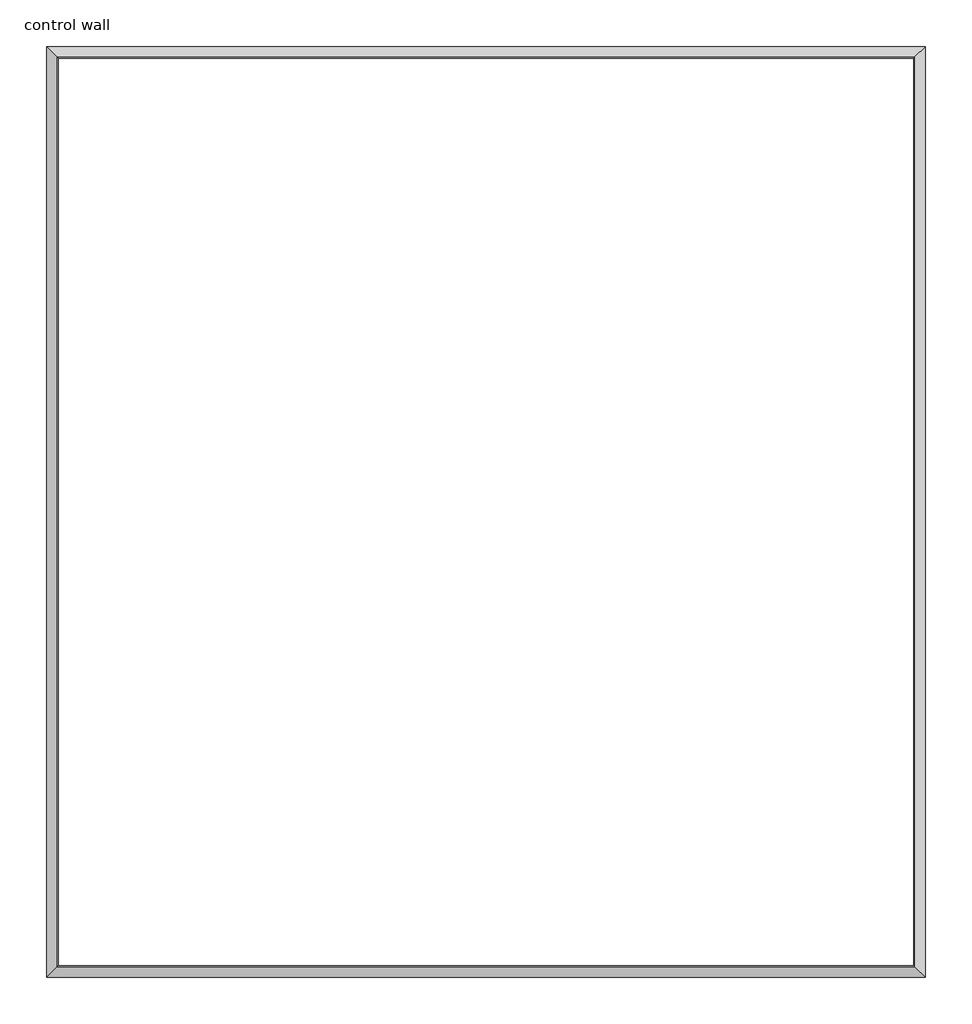
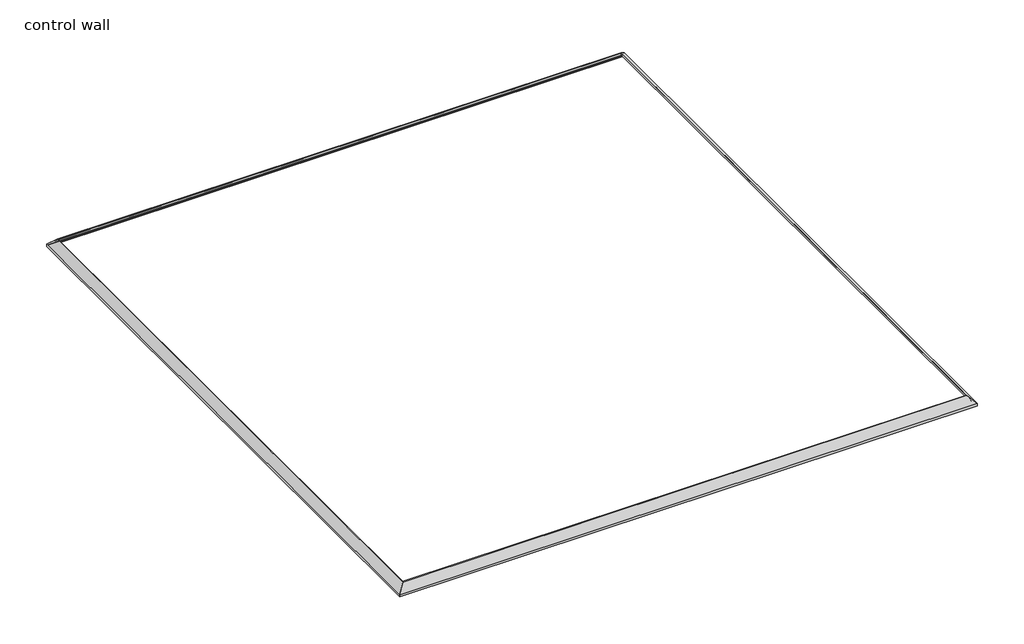
# One storey: 4 proxies.
"""IFC4 building model written with IfcOpenShell, lengths in millimetres."""

from ifc_helpers import new_model, si_unit, frame, origin, place, context, project, spatial, polyline, ellipse_curve, element, save
from ifc_brep_helpers import plane_surface, cylinder_surface, revolved_surface, advanced_brep

model = new_model("IFC4")

# Units and contexts
model_context = context("Model", 3, world=origin())
ifc_project = project(units=[si_unit("LENGTHUNIT", "METRE", prefix="MILLI")], contexts=[model_context])

# Site, building, storey
site = spatial("IfcSite", under=ifc_project)
building = spatial("IfcBuilding", under=site)
storey = spatial("IfcBuildingStorey", under=building, Name="control wall", Elevation=2133.6)

# Proxies
placement = place(None, origin())
element("IfcBuildingElementProxy", 1, Name="Wall Sweeps", at=placement, inside=storey, context=model_context, shape_type="AdvancedBrep", body=[
    advanced_brep(
    [(23590.7453, -17854.6125, 2982.9793892), (23525.7246892, -17789.5918892, 3048.0), (23517.6219912, -17781.4891912, 3048.0), (23517.6219912, -17781.4891912, 3028.95), (23527.2453, -17791.1125, 3028.95), (23547.7699798, -17811.6371798, 3008.4253202), (23568.2946597, -17832.1618597, 2987.9006403), (23568.2946597, -17832.1618597, 2981.5506403), (23581.7650439, -17845.6322439, 2968.0802561), (23581.7650439, -17845.6322439, 2959.1), (23590.7453, -17854.6125, 2959.1), (23590.7453, -11936.4125, 2982.9793892), (23590.7453, -11936.4125, 2959.1), (23581.7650439, -11945.3927561, 2959.1), (23581.7650439, -11945.3927561, 2968.0802561), (23568.2946597, -11958.8631403, 2981.5506403), (23568.2946597, -11958.8631403, 2987.9006403), (23547.7699798, -11979.3878202, 3008.4253202), (23527.2453, -11999.9125, 3028.95), (23517.6219912, -12009.5358088, 3028.95), (23517.6219912, -12009.5358088, 3048.0), (23525.7246892, -12001.4331108, 3048.0)],
    [
        (0, 1),
        (1, 2),
        (2, 3),
        (3, 4),
        (4, 5, ellipse_curve(frame((23527.2453, -17791.1125, 3008.4253202), z_axis=(0.7071067811865511, 0.707106781186544, 0.0), x_axis=(-0.7071067811865441, 0.707106781186551, 0.0)), 29.0262806, 20.5246798)),
        (5, 6, ellipse_curve(frame((23568.2946597, -17832.1618597, 3008.4253202), z_axis=(-0.7071067811865511, -0.707106781186544, 0.0), x_axis=(0.7071067811865441, -0.707106781186551, 0.0)), 29.0262806, 20.5246798)),
        (6, 7),
        (7, 8, ellipse_curve(frame((23568.2946597, -17832.1618597, 2968.0802561), z_axis=(0.7071067811865511, 0.707106781186544, 0.0), x_axis=(-0.7071067811865441, 0.707106781186551, 0.0)), 19.05, 13.4703842)),
        (8, 9),
        (9, 10),
        (10, 0),
        (11, 12),
        (12, 13),
        (13, 14),
        (14, 15, ellipse_curve(frame((23568.2946597, -11958.8631403, 2968.0802561), z_axis=(0.707106781186544, -0.7071067811865511, 0.0), x_axis=(0.7071067811865512, 0.7071067811865437, 0.0)), 19.05, 13.4703842)),
        (15, 16),
        (16, 17, ellipse_curve(frame((23568.2946597, -11958.8631403, 3008.4253202), z_axis=(-0.707106781186544, 0.7071067811865511, 0.0), x_axis=(-0.7071067811865512, -0.7071067811865437, 0.0)), 29.0262806, 20.5246798)),
        (17, 18, ellipse_curve(frame((23527.2453, -11999.9125, 3008.4253202), z_axis=(0.707106781186544, -0.7071067811865511, 0.0), x_axis=(0.7071067811865512, 0.7071067811865437, 0.0)), 29.0262806, 20.5246798)),
        (18, 19),
        (19, 20),
        (20, 21),
        (21, 11),
        (0, 11),
        (21, 1),
        (20, 2),
        (19, 3),
        (18, 4),
        (17, 5),
        (16, 6),
        (15, 7),
        (14, 8),
        (13, 9),
        (12, 10),
    ],
    [
        plane_surface(frame((23590.7453, -17854.6125, 2654.3), z_axis=(-0.7071067811865511, -0.707106781186544, 0.0), x_axis=(-0.707106781186544, 0.7071067811865511, 0.0))),
        plane_surface(frame((23590.7453, -11936.4125, 2654.3), z_axis=(-0.707106781186544, 0.7071067811865511, 0.0), x_axis=(-0.7071067811865511, -0.707106781186544, 0.0))),
        plane_surface(frame((23590.7453, -17854.6125, 2982.9793892), z_axis=(0.707106781186547, 0.0, 0.707106781186548), x_axis=(0.0, 1.0, 0.0))),
        plane_surface(frame((23525.7246892, -17789.5918892, 3048.0), z_axis=(0.0, 0.0, 1.0), x_axis=(0.0, 1.0, 0.0))),
        plane_surface(frame((23517.6219912, -17781.4891912, 3048.0), z_axis=(-1.0, 0.0, 0.0), x_axis=(0.0, 1.0, 0.0))),
        plane_surface(frame((23517.6219912, -17781.4891912, 3028.95), z_axis=(0.0, 0.0, -1.0), x_axis=(0.0, 1.0, 0.0))),
        revolved_surface(polyline([(23506.720620199998, -11979.387820155116, 3008.4253202), (23506.720620199998, -17811.63717984488, 3008.4253202)]), (23527.2453, -17854.6125, 3008.4253202), (0.0, 1.0, 0.0)),
        cylinder_surface(frame((23568.2946597, -17854.6125, 3008.4253202), z_axis=(0.0, -1.0, 0.0), x_axis=(-1.0, 0.0, 0.0)), 20.5246798),
        plane_surface(frame((23568.2946597, -17832.1618597, 2987.9006403), z_axis=(-1.0, 0.0, 0.0), x_axis=(0.0, 1.0, 0.0))),
        revolved_surface(polyline([(23554.8242755, -11945.3927561, 2968.0802561), (23554.8242755, -17845.6322439, 2968.0802561)]), (23568.2946597, -17854.6125, 2968.0802561), (0.0, 1.0, 0.0)),
        plane_surface(frame((23581.7650439, -17845.6322439, 2968.0802561), z_axis=(-1.0, 0.0, 0.0), x_axis=(0.0, 1.0, 0.0))),
        plane_surface(frame((23581.7650439, -17845.6322439, 2959.1), z_axis=(0.0, 0.0, -1.0), x_axis=(0.0, 1.0, 0.0))),
        plane_surface(frame((23590.7453, -17854.6125, 2959.1), z_axis=(1.0, 0.0, 0.0), x_axis=(0.0, 1.0, 0.0))),
    ],
    [
        (0, [[1, 2, 3, 4, 5, 6, 7, 8, 9, 10, 11]]),
        (1, [[12, 13, 14, 15, 16, 17, 18, 19, 20, 21, 22]]),
        (2, [[-1, 23, -22, 24]]),
        (3, [[-2, -24, -21, 25]]),
        (4, [[-3, -25, -20, 26]]),
        (5, [[-4, -26, -19, 27]]),
        (6, [[-5, -27, -18, 28]]),
        (7, [[-6, -28, -17, 29]]),
        (8, [[-7, -29, -16, 30]]),
        (9, [[-8, -30, -15, 31]]),
        (10, [[-9, -31, -14, 32]]),
        (11, [[-10, -32, -13, 33]]),
        (12, [[-11, -33, -12, -23]]),
    ],
),
])
element("IfcBuildingElementProxy", 2, Name="Wall Sweeps", at=placement, inside=storey, context=model_context, shape_type="AdvancedBrep", body=[
    advanced_brep(
    [(23590.7453, -11936.4125, 2982.9793892), (23525.7246892, -12001.4331108, 3048.0), (23517.6219912, -12009.5358088, 3048.0), (23517.6219912, -12009.5358088, 3028.95), (23527.2453, -11999.9125, 3028.95), (23547.7699798, -11979.3878202, 3008.4253202), (23568.2946597, -11958.8631403, 2987.9006403), (23568.2946597, -11958.8631403, 2981.5506403), (23581.7650439, -11945.3927561, 2968.0802561), (23581.7650439, -11945.3927561, 2959.1), (23590.7453, -11936.4125, 2959.1), (18002.7453, -11936.4125, 2982.9793892), (18002.7453, -11936.4125, 2959.1), (18011.7255561, -11945.3927561, 2959.1), (18011.7255561, -11945.3927561, 2968.0802561), (18025.1959403, -11958.8631403, 2981.5506403), (18025.1959403, -11958.8631403, 2987.9006403), (18045.7206202, -11979.3878202, 3008.4253202), (18066.2453, -11999.9125, 3028.95), (18075.8686088, -12009.5358088, 3028.95), (18075.8686088, -12009.5358088, 3048.0), (18067.7659108, -12001.4331108, 3048.0)],
    [
        (0, 1),
        (1, 2),
        (2, 3),
        (3, 4),
        (4, 5, ellipse_curve(frame((23527.2453, -11999.9125, 3008.4253202), z_axis=(-0.707106781186544, 0.7071067811865511, 0.0), x_axis=(-0.7071067811865508, -0.7071067811865441, 0.0)), 29.0262806, 20.5246798)),
        (5, 6, ellipse_curve(frame((23568.2946597, -11958.8631403, 3008.4253202), z_axis=(0.707106781186544, -0.7071067811865511, 0.0), x_axis=(0.7071067811865508, 0.7071067811865441, 0.0)), 29.0262806, 20.5246798)),
        (6, 7),
        (7, 8, ellipse_curve(frame((23568.2946597, -11958.8631403, 2968.0802561), z_axis=(-0.707106781186544, 0.7071067811865511, 0.0), x_axis=(-0.7071067811865508, -0.7071067811865441, 0.0)), 19.05, 13.4703842)),
        (8, 9),
        (9, 10),
        (10, 0),
        (11, 12),
        (12, 13),
        (13, 14),
        (14, 15, ellipse_curve(frame((18025.1959403, -11958.8631403, 2968.0802561), z_axis=(0.7071067811865476, 0.7071067811865476, 0.0), x_axis=(-0.7071067811865476, 0.7071067811865476, 0.0)), 19.05, 13.4703842)),
        (15, 16),
        (16, 17, ellipse_curve(frame((18025.1959403, -11958.8631403, 3008.4253202), z_axis=(-0.7071067811865476, -0.7071067811865476, 0.0), x_axis=(0.7071067811865476, -0.7071067811865476, 0.0)), 29.0262806, 20.5246798)),
        (17, 18, ellipse_curve(frame((18066.2453, -11999.9125, 3008.4253202), z_axis=(0.7071067811865476, 0.7071067811865476, 0.0), x_axis=(-0.7071067811865476, 0.7071067811865476, 0.0)), 29.0262806, 20.5246798)),
        (18, 19),
        (19, 20),
        (20, 21),
        (21, 11),
        (0, 11),
        (21, 1),
        (20, 2),
        (19, 3),
        (18, 4),
        (17, 5),
        (16, 6),
        (15, 7),
        (14, 8),
        (13, 9),
        (12, 10),
    ],
    [
        plane_surface(frame((23590.7453, -11936.4125, 2654.3), z_axis=(0.707106781186544, -0.7071067811865511, 0.0), x_axis=(-0.7071067811865511, -0.707106781186544, 0.0))),
        plane_surface(frame((18002.7453, -11936.4125, 2654.3), z_axis=(-0.7071067811865476, -0.7071067811865476, 0.0), x_axis=(0.7071067811865476, -0.7071067811865476, 0.0))),
        plane_surface(frame((23590.7453, -11936.4125, 2982.9793892), z_axis=(0.0, 0.707106781186547, 0.707106781186548), x_axis=(-1.0, 0.0, 0.0))),
        plane_surface(frame((23525.7246892, -12001.4331108, 3048.0), z_axis=(0.0, 0.0, 1.0), x_axis=(-1.0, 0.0, 0.0))),
        plane_surface(frame((23517.6219912, -12009.5358088, 3048.0), z_axis=(0.0, -1.0, 0.0), x_axis=(-1.0, 0.0, 0.0))),
        plane_surface(frame((23517.6219912, -12009.5358088, 3028.95), z_axis=(0.0, 0.0, -1.0), x_axis=(-1.0, 0.0, 0.0))),
        revolved_surface(polyline([(18045.720620155116, -12020.437179800001, 3008.4253202), (23547.76997984488, -12020.437179800001, 3008.4253202)]), (23590.7453, -11999.9125, 3008.4253202), (-1.0, 0.0, 0.0)),
        cylinder_surface(frame((23590.7453, -11958.8631403, 3008.4253202), z_axis=(1.0, 0.0, 0.0), x_axis=(0.0, -1.0, 0.0)), 20.5246798),
        plane_surface(frame((23568.2946597, -11958.8631403, 2987.9006403), z_axis=(0.0, -1.0, 0.0), x_axis=(-1.0, 0.0, 0.0))),
        revolved_surface(polyline([(18011.7255561, -11972.3335245, 2968.0802561), (23581.7650439, -11972.3335245, 2968.0802561)]), (23590.7453, -11958.8631403, 2968.0802561), (-1.0, 0.0, 0.0)),
        plane_surface(frame((23581.7650439, -11945.3927561, 2968.0802561), z_axis=(0.0, -1.0, 0.0), x_axis=(-1.0, 0.0, 0.0))),
        plane_surface(frame((23581.7650439, -11945.3927561, 2959.1), z_axis=(0.0, 0.0, -1.0), x_axis=(-1.0, 0.0, 0.0))),
        plane_surface(frame((23590.7453, -11936.4125, 2959.1), z_axis=(0.0, 1.0, 0.0), x_axis=(-1.0, 0.0, 0.0))),
    ],
    [
        (0, [[1, 2, 3, 4, 5, 6, 7, 8, 9, 10, 11]]),
        (1, [[12, 13, 14, 15, 16, 17, 18, 19, 20, 21, 22]]),
        (2, [[-1, 23, -22, 24]]),
        (3, [[-2, -24, -21, 25]]),
        (4, [[-3, -25, -20, 26]]),
        (5, [[-4, -26, -19, 27]]),
        (6, [[-5, -27, -18, 28]]),
        (7, [[-6, -28, -17, 29]]),
        (8, [[-7, -29, -16, 30]]),
        (9, [[-8, -30, -15, 31]]),
        (10, [[-9, -31, -14, 32]]),
        (11, [[-10, -32, -13, 33]]),
        (12, [[-11, -33, -12, -23]]),
    ],
),
])
element("IfcBuildingElementProxy", 3, Name="Wall Sweeps", at=placement, inside=storey, context=model_context, shape_type="AdvancedBrep", body=[
    advanced_brep(
    [(18002.7453, -11936.4125, 2982.9793892), (18067.7659108, -12001.4331108, 3048.0), (18075.8686088, -12009.5358088, 3048.0), (18075.8686088, -12009.5358088, 3028.95), (18066.2453, -11999.9125, 3028.95), (18045.7206202, -11979.3878202, 3008.4253202), (18025.1959403, -11958.8631403, 2987.9006403), (18025.1959403, -11958.8631403, 2981.5506403), (18011.7255561, -11945.3927561, 2968.0802561), (18011.7255561, -11945.3927561, 2959.1), (18002.7453, -11936.4125, 2959.1), (18002.7453, -17854.6125, 2982.9793892), (18002.7453, -17854.6125, 2959.1), (18011.7255561, -17845.6322439, 2959.1), (18011.7255561, -17845.6322439, 2968.0802561), (18025.1959403, -17832.1618597, 2981.5506403), (18025.1959403, -17832.1618597, 2987.9006403), (18045.7206202, -17811.6371798, 3008.4253202), (18066.2453, -17791.1125, 3028.95), (18075.8686088, -17781.4891912, 3028.95), (18075.8686088, -17781.4891912, 3048.0), (18067.7659108, -17789.5918892, 3048.0)],
    [
        (0, 1),
        (1, 2),
        (2, 3),
        (3, 4),
        (4, 5, ellipse_curve(frame((18066.2453, -11999.9125, 3008.4253202), z_axis=(-0.7071067811865476, -0.7071067811865476, 0.0), x_axis=(0.7071067811865477, -0.7071067811865475, 0.0)), 29.0262806, 20.5246798)),
        (5, 6, ellipse_curve(frame((18025.1959403, -11958.8631403, 3008.4253202), z_axis=(0.7071067811865476, 0.7071067811865476, 0.0), x_axis=(-0.7071067811865477, 0.7071067811865475, 0.0)), 29.0262806, 20.5246798)),
        (6, 7),
        (7, 8, ellipse_curve(frame((18025.1959403, -11958.8631403, 2968.0802561), z_axis=(-0.7071067811865476, -0.7071067811865476, 0.0), x_axis=(0.7071067811865477, -0.7071067811865475, 0.0)), 19.05, 13.4703842)),
        (8, 9),
        (9, 10),
        (10, 0),
        (11, 12),
        (12, 13),
        (13, 14),
        (14, 15, ellipse_curve(frame((18025.1959403, -17832.1618597, 2968.0802561), z_axis=(-0.7071067811865476, 0.7071067811865476, 0.0), x_axis=(-0.7071067811865477, -0.7071067811865474, 0.0)), 19.05, 13.4703842)),
        (15, 16),
        (16, 17, ellipse_curve(frame((18025.1959403, -17832.1618597, 3008.4253202), z_axis=(0.7071067811865476, -0.7071067811865476, 0.0), x_axis=(0.7071067811865477, 0.7071067811865474, 0.0)), 29.0262806, 20.5246798)),
        (17, 18, ellipse_curve(frame((18066.2453, -17791.1125, 3008.4253202), z_axis=(-0.7071067811865476, 0.7071067811865476, 0.0), x_axis=(-0.7071067811865477, -0.7071067811865474, 0.0)), 29.0262806, 20.5246798)),
        (18, 19),
        (19, 20),
        (20, 21),
        (21, 11),
        (0, 11),
        (21, 1),
        (20, 2),
        (19, 3),
        (18, 4),
        (17, 5),
        (16, 6),
        (15, 7),
        (14, 8),
        (13, 9),
        (12, 10),
    ],
    [
        plane_surface(frame((18002.7453, -11936.4125, 2654.3), z_axis=(0.7071067811865476, 0.7071067811865476, 0.0), x_axis=(0.7071067811865476, -0.7071067811865476, 0.0))),
        plane_surface(frame((18002.7453, -17854.6125, 2654.3), z_axis=(0.7071067811865476, -0.7071067811865476, 0.0), x_axis=(0.7071067811865476, 0.7071067811865476, 0.0))),
        plane_surface(frame((18002.7453, -11936.4125, 2982.9793892), z_axis=(-0.707106781186547, 0.0, 0.707106781186548), x_axis=(0.0, -1.0, 0.0))),
        plane_surface(frame((18067.7659108, -12001.4331108, 3048.0), z_axis=(0.0, 0.0, 1.0), x_axis=(0.0, -1.0, 0.0))),
        plane_surface(frame((18075.8686088, -12009.5358088, 3048.0), z_axis=(1.0, 0.0, 0.0), x_axis=(0.0, -1.0, 0.0))),
        plane_surface(frame((18075.8686088, -12009.5358088, 3028.95), z_axis=(0.0, 0.0, -1.0), x_axis=(0.0, -1.0, 0.0))),
        revolved_surface(polyline([(18086.7699798, -17811.63717984488, 3008.4253202), (18086.7699798, -11979.387820155116, 3008.4253202)]), (18066.2453, -11936.4125, 3008.4253202), (0.0, -1.0, 0.0)),
        cylinder_surface(frame((18025.1959403, -11936.4125, 3008.4253202), z_axis=(0.0, 1.0, 0.0), x_axis=(1.0, 0.0, 0.0)), 20.5246798),
        plane_surface(frame((18025.1959403, -11958.8631403, 2987.9006403), z_axis=(1.0, 0.0, 0.0), x_axis=(0.0, -1.0, 0.0))),
        revolved_surface(polyline([(18038.6663245, -17845.6322439, 2968.0802561), (18038.6663245, -11945.3927561, 2968.0802561)]), (18025.1959403, -11936.4125, 2968.0802561), (0.0, -1.0, 0.0)),
        plane_surface(frame((18011.7255561, -11945.3927561, 2968.0802561), z_axis=(1.0, 0.0, 0.0), x_axis=(0.0, -1.0, 0.0))),
        plane_surface(frame((18011.7255561, -11945.3927561, 2959.1), z_axis=(0.0, 0.0, -1.0), x_axis=(0.0, -1.0, 0.0))),
        plane_surface(frame((18002.7453, -11936.4125, 2959.1), z_axis=(-1.0, 0.0, 0.0), x_axis=(0.0, -1.0, 0.0))),
    ],
    [
        (0, [[1, 2, 3, 4, 5, 6, 7, 8, 9, 10, 11]]),
        (1, [[12, 13, 14, 15, 16, 17, 18, 19, 20, 21, 22]]),
        (2, [[-1, 23, -22, 24]]),
        (3, [[-2, -24, -21, 25]]),
        (4, [[-3, -25, -20, 26]]),
        (5, [[-4, -26, -19, 27]]),
        (6, [[-5, -27, -18, 28]]),
        (7, [[-6, -28, -17, 29]]),
        (8, [[-7, -29, -16, 30]]),
        (9, [[-8, -30, -15, 31]]),
        (10, [[-9, -31, -14, 32]]),
        (11, [[-10, -32, -13, 33]]),
        (12, [[-11, -33, -12, -23]]),
    ],
),
])
element("IfcBuildingElementProxy", 4, Name="Wall Sweeps", at=placement, inside=storey, context=model_context, shape_type="AdvancedBrep", body=[
    advanced_brep(
    [(18002.7453, -17854.6125, 2982.9793892), (18067.7659108, -17789.5918892, 3048.0), (18075.8686088, -17781.4891912, 3048.0), (18075.8686088, -17781.4891912, 3028.95), (18066.2453, -17791.1125, 3028.95), (18045.7206202, -17811.6371798, 3008.4253202), (18025.1959403, -17832.1618597, 2987.9006403), (18025.1959403, -17832.1618597, 2981.5506403), (18011.7255561, -17845.6322439, 2968.0802561), (18011.7255561, -17845.6322439, 2959.1), (18002.7453, -17854.6125, 2959.1), (23590.7453, -17854.6125, 2982.9793892), (23590.7453, -17854.6125, 2959.1), (23581.7650439, -17845.6322439, 2959.1), (23581.7650439, -17845.6322439, 2968.0802561), (23568.2946597, -17832.1618597, 2981.5506403), (23568.2946597, -17832.1618597, 2987.9006403), (23547.7699798, -17811.6371798, 3008.4253202), (23527.2453, -17791.1125, 3028.95), (23517.6219912, -17781.4891912, 3028.95), (23517.6219912, -17781.4891912, 3048.0), (23525.7246892, -17789.5918892, 3048.0)],
    [
        (0, 1),
        (1, 2),
        (2, 3),
        (3, 4),
        (4, 5, ellipse_curve(frame((18066.2453, -17791.1125, 3008.4253202), z_axis=(0.7071067811865476, -0.7071067811865476, 0.0), x_axis=(0.7071067811865474, 0.7071067811865477, 0.0)), 29.0262806, 20.5246798)),
        (5, 6, ellipse_curve(frame((18025.1959403, -17832.1618597, 3008.4253202), z_axis=(-0.7071067811865476, 0.7071067811865476, 0.0), x_axis=(-0.7071067811865474, -0.7071067811865477, 0.0)), 29.0262806, 20.5246798)),
        (6, 7),
        (7, 8, ellipse_curve(frame((18025.1959403, -17832.1618597, 2968.0802561), z_axis=(0.7071067811865476, -0.7071067811865476, 0.0), x_axis=(0.7071067811865474, 0.7071067811865477, 0.0)), 19.05, 13.4703842)),
        (8, 9),
        (9, 10),
        (10, 0),
        (11, 12),
        (12, 13),
        (13, 14),
        (14, 15, ellipse_curve(frame((23568.2946597, -17832.1618597, 2968.0802561), z_axis=(-0.7071067811865511, -0.707106781186544, 0.0), x_axis=(0.7071067811865439, -0.7071067811865511, 0.0)), 19.05, 13.4703842)),
        (15, 16),
        (16, 17, ellipse_curve(frame((23568.2946597, -17832.1618597, 3008.4253202), z_axis=(0.7071067811865511, 0.707106781186544, 0.0), x_axis=(-0.7071067811865439, 0.7071067811865511, 0.0)), 29.0262806, 20.5246798)),
        (17, 18, ellipse_curve(frame((23527.2453, -17791.1125, 3008.4253202), z_axis=(-0.7071067811865511, -0.707106781186544, 0.0), x_axis=(0.7071067811865439, -0.7071067811865511, 0.0)), 29.0262806, 20.5246798)),
        (18, 19),
        (19, 20),
        (20, 21),
        (21, 11),
        (0, 11),
        (21, 1),
        (20, 2),
        (19, 3),
        (18, 4),
        (17, 5),
        (16, 6),
        (15, 7),
        (14, 8),
        (13, 9),
        (12, 10),
    ],
    [
        plane_surface(frame((18002.7453, -17854.6125, 2654.3), z_axis=(-0.7071067811865476, 0.7071067811865476, 0.0), x_axis=(0.7071067811865476, 0.7071067811865476, 0.0))),
        plane_surface(frame((23590.7453, -17854.6125, 2654.3), z_axis=(0.7071067811865511, 0.707106781186544, 0.0), x_axis=(-0.707106781186544, 0.7071067811865511, 0.0))),
        plane_surface(frame((18002.7453, -17854.6125, 2982.9793892), z_axis=(0.0, -0.707106781186547, 0.707106781186548), x_axis=(1.0, 0.0, 0.0))),
        plane_surface(frame((18067.7659108, -17789.5918892, 3048.0), z_axis=(0.0, 0.0, 1.0), x_axis=(1.0, 0.0, 0.0))),
        plane_surface(frame((18075.8686088, -17781.4891912, 3048.0), z_axis=(0.0, 1.0, 0.0), x_axis=(1.0, 0.0, 0.0))),
        plane_surface(frame((18075.8686088, -17781.4891912, 3028.95), z_axis=(0.0, 0.0, -1.0), x_axis=(1.0, 0.0, 0.0))),
        revolved_surface(polyline([(23547.76997984488, -17770.5878202, 3008.4253202), (18045.720620155116, -17770.5878202, 3008.4253202)]), (18002.7453, -17791.1125, 3008.4253202), (1.0, 0.0, 0.0)),
        cylinder_surface(frame((18002.7453, -17832.1618597, 3008.4253202), z_axis=(-1.0, 0.0, 0.0), x_axis=(0.0, 1.0, 0.0)), 20.5246798),
        plane_surface(frame((18025.1959403, -17832.1618597, 2987.9006403), z_axis=(0.0, 1.0, 0.0), x_axis=(1.0, 0.0, 0.0))),
        revolved_surface(polyline([(23581.7650439, -17818.6914755, 2968.0802561), (18011.7255561, -17818.6914755, 2968.0802561)]), (18002.7453, -17832.1618597, 2968.0802561), (1.0, 0.0, 0.0)),
        plane_surface(frame((18011.7255561, -17845.6322439, 2968.0802561), z_axis=(0.0, 1.0, 0.0), x_axis=(1.0, 0.0, 0.0))),
        plane_surface(frame((18011.7255561, -17845.6322439, 2959.1), z_axis=(0.0, 0.0, -1.0), x_axis=(1.0, 0.0, 0.0))),
        plane_surface(frame((18002.7453, -17854.6125, 2959.1), z_axis=(0.0, -1.0, 0.0), x_axis=(1.0, 0.0, 0.0))),
    ],
    [
        (0, [[1, 2, 3, 4, 5, 6, 7, 8, 9, 10, 11]]),
        (1, [[12, 13, 14, 15, 16, 17, 18, 19, 20, 21, 22]]),
        (2, [[-1, 23, -22, 24]]),
        (3, [[-2, -24, -21, 25]]),
        (4, [[-3, -25, -20, 26]]),
        (5, [[-4, -26, -19, 27]]),
        (6, [[-5, -27, -18, 28]]),
        (7, [[-6, -28, -17, 29]]),
        (8, [[-7, -29, -16, 30]]),
        (9, [[-8, -30, -15, 31]]),
        (10, [[-9, -31, -14, 32]]),
        (11, [[-10, -32, -13, 33]]),
        (12, [[-11, -33, -12, -23]]),
    ],
),
])

save(model, "model.ifc")
